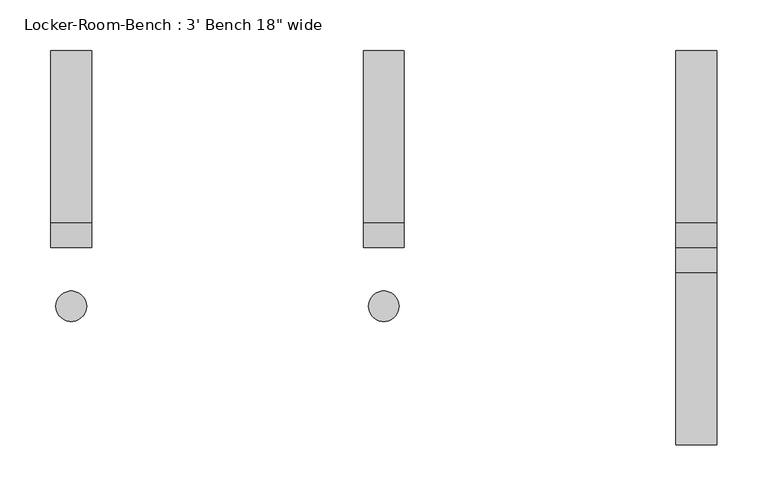
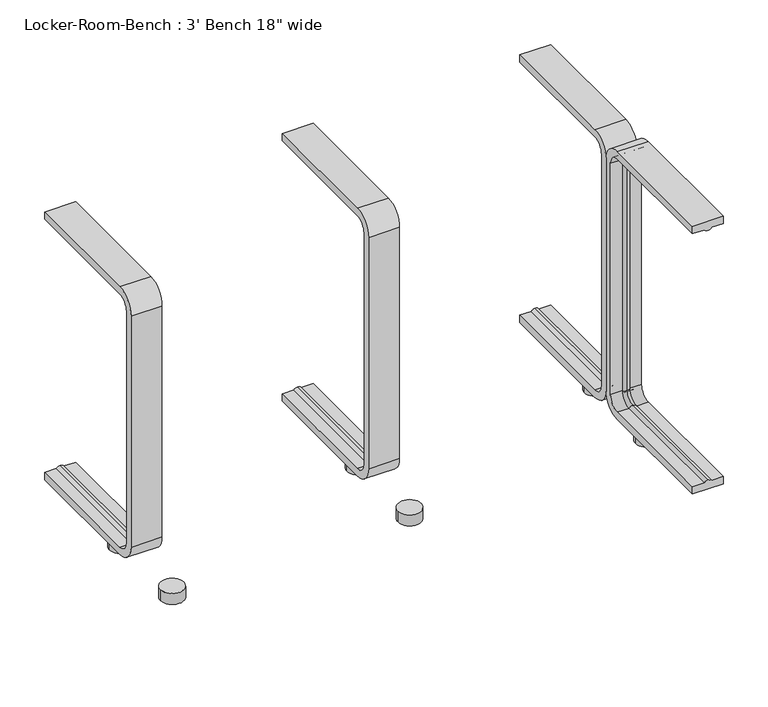
"""IFC4 building model written with IfcOpenShell, lengths in millimetres: proxy geometry."""

from ifc_helpers import new_model, si_unit, point, frame, frame_2d, origin, origin_with_axes, place, context, project, spatial, polyline, circle_curve, ellipse_curve, trimmed, segment, composite_curve, outline, extrude, source, transform, mapped, element, save
from ifc_brep_helpers import plane_surface, cylinder_surface, revolved_surface, advanced_brep


def proxy_2d80c7be(model_context):
    return source(origin(), model_context, "Body", "SolidModel", [
        extrude(outline(composite_curve([segment(trimmed(circle_curve(frame_2d((307.2, -57.5)), 15.0), [point((292.2, -57.5))], [point((322.2, -57.5))], False, "CARTESIAN"), True, "CONTINUOUS"), segment(trimmed(circle_curve(frame_2d((307.2, -57.5)), 15.0), [point((322.2, -57.5))], [point((292.2, -57.5))], False, "CARTESIAN"), True, "CONTINUOUS")], self_intersect=False)), origin_with_axes(), (0.0, 0.0, 1.0), 15.0),
        extrude(outline(composite_curve([segment(trimmed(circle_curve(frame_2d((307.2, 57.5)), 15.0), [point((292.2, 57.5))], [point((322.2, 57.5))], False, "CARTESIAN"), True, "CONTINUOUS"), segment(trimmed(circle_curve(frame_2d((307.2, 57.5)), 15.0), [point((322.2, 57.5))], [point((292.2, 57.5))], False, "CARTESIAN"), True, "CONTINUOUS")], self_intersect=False)), origin_with_axes(), (0.0, 0.0, 1.0), 15.0),
        extrude(outline(composite_curve([segment(trimmed(circle_curve(frame_2d((0.0, -57.5)), 15.0), [point((-15.0, -57.5))], [point((15.0, -57.5))], False, "CARTESIAN"), True, "CONTINUOUS"), segment(trimmed(circle_curve(frame_2d((0.0, -57.5)), 15.0), [point((15.0, -57.5))], [point((-15.0, -57.5))], False, "CARTESIAN"), True, "CONTINUOUS")], self_intersect=False)), origin_with_axes(), (0.0, 0.0, 1.0), 15.0),
        extrude(outline(composite_curve([segment(trimmed(circle_curve(frame_2d((0.0, 57.5)), 15.0), [point((-15.0, 57.5))], [point((15.0, 57.5))], False, "CARTESIAN"), True, "CONTINUOUS"), segment(trimmed(circle_curve(frame_2d((0.0, 57.5)), 15.0), [point((15.0, 57.5))], [point((-15.0, 57.5))], False, "CARTESIAN"), True, "CONTINUOUS")], self_intersect=False)), origin_with_axes(), (0.0, 0.0, 1.0), 15.0),
        extrude(outline(composite_curve([segment(trimmed(circle_curve(frame_2d((-307.2, -57.5)), 15.0), [point((-322.2, -57.5))], [point((-292.2, -57.5))], False, "CARTESIAN"), True, "CONTINUOUS"), segment(trimmed(circle_curve(frame_2d((-307.2, -57.5)), 15.0), [point((-292.2, -57.5))], [point((-322.2, -57.5))], False, "CARTESIAN"), True, "CONTINUOUS")], self_intersect=False)), origin_with_axes(), (0.0, 0.0, 1.0), 15.0),
        extrude(outline(composite_curve([segment(trimmed(circle_curve(frame_2d((-307.2, 57.5)), 15.0), [point((-322.2, 57.5))], [point((-292.2, 57.5))], False, "CARTESIAN"), True, "CONTINUOUS"), segment(trimmed(circle_curve(frame_2d((-307.2, 57.5)), 15.0), [point((-292.2, 57.5))], [point((-322.2, 57.5))], False, "CARTESIAN"), True, "CONTINUOUS")], self_intersect=False)), origin_with_axes(), (0.0, 0.0, 1.0), 15.0),
        advanced_brep(
        [(327.2, 193.6, 381.4), (327.2, 193.6, 371.4), (312.2, 193.6, 371.4), (307.2, 193.6, 369.0684617), (302.2, 193.6, 371.4), (287.2, 193.6, 371.4), (287.2, 193.6, 381.4), (327.2, 25.0, 381.4), (327.2, 0.0, 356.4), (327.2, 0.0, 40.0), (327.2, 25.0, 15.0), (327.2, 193.6, 15.0), (327.2, 193.6, 25.0), (327.2, 25.0, 25.0), (327.2, 10.0, 40.0), (327.2, 10.0, 356.4), (327.2, 25.0, 371.4), (312.2, 25.0, 371.4), (307.2, 25.0, 369.0684617), (302.2, 25.0, 371.4), (287.2, 25.0, 371.4), (287.2, 10.0, 356.4), (287.2, 10.0, 40.0), (287.2, 25.0, 25.0), (287.2, 193.6, 25.0), (287.2, 193.6, 15.0), (287.2, 25.0, 15.0), (287.2, 0.0, 40.0), (287.2, 0.0, 356.4), (287.2, 25.0, 381.4), (312.2, 10.0, 356.4), (307.2, 12.3315383, 356.4), (302.2, 10.0, 356.4), (312.2, 10.0, 40.0), (307.2, 12.3315383, 40.0), (302.2, 10.0, 40.0), (312.2, 25.0, 25.0), (307.2, 25.0, 27.3315383), (302.2, 25.0, 25.0), (302.2, 193.6, 25.0), (307.2, 193.6, 27.3315383), (312.2, 193.6, 25.0)],
        [
            (0, 1),
            (1, 2),
            (2, 3, circle_curve(frame((307.4996409, 193.6, 374.9529162), z_axis=(0.0, 1.0, 0.0), x_axis=(0.0, 0.0, -1.0)), 5.8920785)),
            (3, 4, circle_curve(frame((306.9003591, 193.6, 374.9529162), z_axis=(0.0, 1.0, 0.0), x_axis=(0.0, 0.0, -1.0)), 5.8920785)),
            (4, 5),
            (5, 6),
            (6, 0),
            (0, 7),
            (7, 8, circle_curve(frame((327.2, 25.0, 356.4), z_axis=(1.0, 0.0, 0.0), x_axis=(0.0, 0.0, 1.0)), 25.0)),
            (8, 9),
            (9, 10, circle_curve(frame((327.2, 25.0, 40.0), z_axis=(1.0, 0.0, 0.0), x_axis=(0.0, -1.0, 0.0)), 25.0)),
            (10, 11),
            (11, 12),
            (12, 13),
            (13, 14, circle_curve(frame((327.2, 25.0, 40.0), z_axis=(-1.0, 0.0, 0.0), x_axis=(0.0, -1.0, 0.0)), 15.0)),
            (14, 15),
            (15, 16, circle_curve(frame((327.2, 25.0, 356.4), z_axis=(-1.0, 0.0, 0.0), x_axis=(0.0, 0.0, 1.0)), 15.0)),
            (16, 1),
            (16, 17),
            (17, 2),
            (17, 18, circle_curve(frame((307.4996409, 25.0, 374.9529162), z_axis=(0.0, 1.0, 0.0), x_axis=(0.0, 0.0, -1.0)), 5.8920785)),
            (18, 3),
            (18, 19, circle_curve(frame((306.9003591, 25.0, 374.9529162), z_axis=(0.0, 1.0, 0.0), x_axis=(0.0, 0.0, -1.0)), 5.8920785)),
            (19, 4),
            (19, 20),
            (20, 5),
            (20, 21, circle_curve(frame((287.2, 25.0, 356.4), z_axis=(1.0, 0.0, 0.0), x_axis=(0.0, 0.0, 1.0)), 15.0)),
            (21, 22),
            (22, 23, circle_curve(frame((287.2, 25.0, 40.0), z_axis=(1.0, 0.0, 0.0), x_axis=(0.0, -1.0, 0.0)), 15.0)),
            (23, 24),
            (24, 25),
            (25, 26),
            (26, 27, circle_curve(frame((287.2, 25.0, 40.0), z_axis=(-1.0, 0.0, 0.0), x_axis=(0.0, -1.0, 0.0)), 25.0)),
            (27, 28),
            (28, 29, circle_curve(frame((287.2, 25.0, 356.4), z_axis=(-1.0, 0.0, 0.0), x_axis=(0.0, 0.0, 1.0)), 25.0)),
            (29, 6),
            (29, 7),
            (30, 17, circle_curve(frame((312.2, 25.0, 356.4), z_axis=(-1.0, 0.0, 0.0), x_axis=(0.0, 0.0, 1.0)), 15.0)),
            (15, 30),
            (31, 18, circle_curve(frame((307.2, 25.0, 356.4), z_axis=(-1.0, 0.0, 0.0), x_axis=(0.0, 0.0, 1.0)), 12.6684617)),
            (30, 31, circle_curve(frame((307.4996409, 6.4470838, 356.4), z_axis=(0.0, 0.0, 1.0), x_axis=(0.0, 1.0, 0.0)), 5.8920785)),
            (32, 19, circle_curve(frame((302.2, 25.0, 356.4), z_axis=(-1.0, 0.0, 0.0), x_axis=(0.0, 0.0, 1.0)), 15.0)),
            (31, 32, circle_curve(frame((306.9003591, 6.4470838, 356.4), z_axis=(0.0, 0.0, 1.0), x_axis=(0.0, 1.0, 0.0)), 5.8920785)),
            (32, 21),
            (28, 8),
            (14, 33),
            (33, 30),
            (33, 34, circle_curve(frame((307.4996409, 6.4470838, 40.0), z_axis=(0.0, 0.0, 1.0), x_axis=(0.0, 1.0, 0.0)), 5.8920785)),
            (34, 31),
            (34, 35, circle_curve(frame((306.9003591, 6.4470838, 40.0), z_axis=(0.0, 0.0, 1.0), x_axis=(0.0, 1.0, 0.0)), 5.8920785)),
            (35, 32),
            (35, 22),
            (27, 9),
            (36, 33, circle_curve(frame((312.2, 25.0, 40.0), z_axis=(-1.0, 0.0, 0.0), x_axis=(0.0, -1.0, 0.0)), 15.0)),
            (13, 36),
            (37, 34, circle_curve(frame((307.2, 25.0, 40.0), z_axis=(-1.0, 0.0, 0.0), x_axis=(0.0, -1.0, 0.0)), 12.6684617)),
            (36, 37, circle_curve(frame((307.4996409, 25.0, 21.4470838), z_axis=(0.0, -1.0, 0.0), x_axis=(0.0, 0.0, 1.0)), 5.8920785)),
            (38, 35, circle_curve(frame((302.2, 25.0, 40.0), z_axis=(-1.0, 0.0, 0.0), x_axis=(0.0, -1.0, 0.0)), 15.0)),
            (37, 38, circle_curve(frame((306.9003591, 25.0, 21.4470838), z_axis=(0.0, -1.0, 0.0), x_axis=(0.0, 0.0, 1.0)), 5.8920785)),
            (38, 23),
            (26, 10),
            (11, 25),
            (24, 39),
            (39, 40, circle_curve(frame((306.9003591, 193.6, 21.4470838), z_axis=(0.0, 1.0, 0.0), x_axis=(0.0, 0.0, 1.0)), 5.8920785)),
            (40, 41, circle_curve(frame((307.4996409, 193.6, 21.4470838), z_axis=(0.0, 1.0, 0.0), x_axis=(0.0, 0.0, 1.0)), 5.8920785)),
            (41, 12),
            (41, 36),
            (40, 37),
            (39, 38),
        ],
        [
            plane_surface(frame((307.2, 193.6, 381.4), z_axis=(0.0, 1.0, 0.0), x_axis=(1.0, 0.0, 0.0))),
            plane_surface(frame((327.2, 193.6, 381.4), z_axis=(1.0, 0.0, 0.0), x_axis=(0.0, -1.0, 0.0))),
            plane_surface(frame((327.2, 193.6, 371.4), z_axis=(0.0, 0.0, -1.0), x_axis=(0.0, -1.0, 0.0))),
            cylinder_surface(frame((307.4996409, 193.6, 374.9529162), z_axis=(0.0, 1.0, 0.0), x_axis=(0.0, 0.0, -1.0)), 5.8920785),
            cylinder_surface(frame((306.9003591, 193.6, 374.9529162), z_axis=(0.0, 1.0, 0.0), x_axis=(0.0, 0.0, -1.0)), 5.8920785),
            plane_surface(frame((302.2, 193.6, 371.4), z_axis=(0.0, 0.0, -1.0), x_axis=(0.0, -1.0, 0.0))),
            plane_surface(frame((287.2, 193.6, 371.4), z_axis=(-1.0, 0.0, 0.0), x_axis=(0.0, -1.0, 0.0))),
            plane_surface(frame((287.2, 193.6, 381.4), z_axis=(0.0, 0.0, 1.0), x_axis=(0.0, -1.0, 0.0))),
            revolved_surface(polyline([(327.2, 25.0, 371.4), (312.2, 25.0, 371.4)]), (307.2, 25.0, 356.4), (1.0, 0.0, 0.0)),
            revolved_surface(trimmed(ellipse_curve(frame((307.4996409, 25.0, 374.9529162), z_axis=(0.0, 1.0, 0.0), x_axis=(0.0, 0.0, -1.0)), 5.8920785, 5.8920785), [point((312.2, 25.0, 371.4))], [point((307.2, 25.0, 369.0684617))], True, "CARTESIAN"), (307.2, 25.0, 356.4), (1.0, 0.0, 0.0)),
            revolved_surface(trimmed(ellipse_curve(frame((306.9003591, 25.0, 374.9529162), z_axis=(0.0, 1.0, 0.0), x_axis=(0.0, 0.0, -1.0)), 5.8920785, 5.8920785), [point((307.2, 25.0, 369.0684617))], [point((302.2, 25.0, 371.4))], True, "CARTESIAN"), (307.2, 25.0, 356.4), (1.0, 0.0, 0.0)),
            revolved_surface(polyline([(302.2, 25.0, 371.4), (287.2, 25.0, 371.4)]), (307.2, 25.0, 356.4), (1.0, 0.0, 0.0)),
            cylinder_surface(frame((307.2, 25.0, 356.4), z_axis=(1.0, 0.0, 0.0), x_axis=(0.0, 0.0, 1.0)), 25.0),
            plane_surface(frame((327.2, 10.0, 356.4), z_axis=(0.0, 1.0, 0.0), x_axis=(0.0, 0.0, -1.0))),
            cylinder_surface(frame((307.4996409, 6.4470838, 356.4), z_axis=(0.0, 0.0, 1.0), x_axis=(0.0, 1.0, 0.0)), 5.8920785),
            cylinder_surface(frame((306.9003591, 6.4470838, 356.4), z_axis=(0.0, 0.0, 1.0), x_axis=(0.0, 1.0, 0.0)), 5.8920785),
            plane_surface(frame((302.2, 10.0, 356.4), z_axis=(0.0, 1.0, 0.0), x_axis=(0.0, 0.0, -1.0))),
            plane_surface(frame((287.2, 0.0, 356.4), z_axis=(0.0, -1.0, 0.0), x_axis=(0.0, 0.0, -1.0))),
            revolved_surface(polyline([(327.2, 10.0, 40.0), (312.2, 10.0, 40.0)]), (307.2, 25.0, 40.0), (1.0, 0.0, 0.0)),
            revolved_surface(trimmed(ellipse_curve(frame((307.4996409, 6.4470838, 40.0), z_axis=(0.0, 0.0, 1.0), x_axis=(0.0, 1.0, 0.0)), 5.8920785, 5.8920785), [point((312.2, 10.0, 40.0))], [point((307.2, 12.3315383, 40.0))], True, "CARTESIAN"), (307.2, 25.0, 40.0), (1.0, 0.0, 0.0)),
            revolved_surface(trimmed(ellipse_curve(frame((306.9003591, 6.4470838, 40.0), z_axis=(0.0, 0.0, 1.0), x_axis=(0.0, 1.0, 0.0)), 5.8920785, 5.8920785), [point((307.2, 12.3315383, 40.0))], [point((302.2, 10.0, 40.0))], True, "CARTESIAN"), (307.2, 25.0, 40.0), (1.0, 0.0, 0.0)),
            revolved_surface(polyline([(302.2, 10.0, 40.0), (287.2, 10.0, 40.0)]), (307.2, 25.0, 40.0), (1.0, 0.0, 0.0)),
            cylinder_surface(frame((307.2, 25.0, 40.0), z_axis=(1.0, 0.0, 0.0), x_axis=(0.0, -1.0, 0.0)), 25.0),
            plane_surface(frame((307.2, 193.6, 15.0), z_axis=(0.0, 1.0, 0.0), x_axis=(1.0, 0.0, 0.0))),
            plane_surface(frame((327.2, 25.0, 25.0), z_axis=(0.0, 0.0, 1.0), x_axis=(0.0, 1.0, 0.0))),
            cylinder_surface(frame((307.4996409, 25.0, 21.4470838), z_axis=(0.0, -1.0, 0.0), x_axis=(0.0, 0.0, 1.0)), 5.8920785),
            cylinder_surface(frame((306.9003591, 25.0, 21.4470838), z_axis=(0.0, -1.0, 0.0), x_axis=(0.0, 0.0, 1.0)), 5.8920785),
            plane_surface(frame((302.2, 25.0, 25.0), z_axis=(0.0, 0.0, 1.0), x_axis=(0.0, 1.0, 0.0))),
            plane_surface(frame((287.2, 25.0, 15.0), z_axis=(0.0, 0.0, -1.0), x_axis=(0.0, 1.0, 0.0))),
        ],
        [
            (0, [[1, 2, 3, 4, 5, 6, 7]]),
            (1, [[-1, 8, 9, 10, 11, 12, 13, 14, 15, 16, 17, 18]]),
            (2, [[-2, -18, 19, 20]]),
            (3, [[-3, -20, 21, 22]]),
            (4, [[-4, -22, 23, 24]]),
            (5, [[-5, -24, 25, 26]]),
            (6, [[-6, -26, 27, 28, 29, 30, 31, 32, 33, 34, 35, 36]]),
            (7, [[-7, -36, 37, -8]]),
            (8, [[38, -19, -17, 39]]),
            (9, [[40, -21, -38, 41]]),
            (10, [[42, -23, -40, 43]]),
            (11, [[-27, -25, -42, 44]]),
            (12, [[-9, -37, -35, 45]]),
            (13, [[-39, -16, 46, 47]]),
            (14, [[-41, -47, 48, 49]]),
            (15, [[-43, -49, 50, 51]]),
            (16, [[-44, -51, 52, -28]]),
            (17, [[-45, -34, 53, -10]]),
            (18, [[54, -46, -15, 55]]),
            (19, [[56, -48, -54, 57]]),
            (20, [[58, -50, -56, 59]]),
            (21, [[-29, -52, -58, 60]]),
            (22, [[-11, -53, -33, 61]]),
            (23, [[62, -31, 63, 64, 65, 66, -13]]),
            (24, [[-55, -14, -66, 67]]),
            (25, [[-57, -67, -65, 68]]),
            (26, [[-59, -68, -64, 69]]),
            (27, [[-60, -69, -63, -30]]),
            (28, [[-61, -32, -62, -12]]),
        ],
    ),
        advanced_brep(
        [(20.0, 193.6, 381.4), (20.0, 193.6, 371.4), (5.0, 193.6, 371.4), (0.0, 193.6, 369.0684617), (-5.0, 193.6, 371.4), (-20.0, 193.6, 371.4), (-20.0, 193.6, 381.4), (20.0, 25.0, 381.4), (20.0, 0.0, 356.4), (20.0, 0.0, 40.0), (20.0, 25.0, 15.0), (20.0, 193.6, 15.0), (20.0, 193.6, 25.0), (20.0, 25.0, 25.0), (20.0, 10.0, 40.0), (20.0, 10.0, 356.4), (20.0, 25.0, 371.4), (5.0, 25.0, 371.4), (0.0, 25.0, 369.0684617), (-5.0, 25.0, 371.4), (-20.0, 25.0, 371.4), (-20.0, 10.0, 356.4), (-20.0, 10.0, 40.0), (-20.0, 25.0, 25.0), (-20.0, 193.6, 25.0), (-20.0, 193.6, 15.0), (-20.0, 25.0, 15.0), (-20.0, 0.0, 40.0), (-20.0, 0.0, 356.4), (-20.0, 25.0, 381.4), (5.0, 10.0, 356.4), (0.0, 12.3315383, 356.4), (-5.0, 10.0, 356.4), (5.0, 10.0, 40.0), (0.0, 12.3315383, 40.0), (-5.0, 10.0, 40.0), (5.0, 25.0, 25.0), (0.0, 25.0, 27.3315383), (-5.0, 25.0, 25.0), (-5.0, 193.6, 25.0), (0.0, 193.6, 27.3315383), (5.0, 193.6, 25.0)],
        [
            (0, 1),
            (1, 2),
            (2, 3, circle_curve(frame((0.2996409, 193.6, 374.9529162), z_axis=(0.0, 1.0, 0.0), x_axis=(0.0, 0.0, -1.0)), 5.8920785)),
            (3, 4, circle_curve(frame((-0.2996409, 193.6, 374.9529162), z_axis=(0.0, 1.0, 0.0), x_axis=(0.0, 0.0, -1.0)), 5.8920785)),
            (4, 5),
            (5, 6),
            (6, 0),
            (0, 7),
            (7, 8, circle_curve(frame((20.0, 25.0, 356.4), z_axis=(1.0, 0.0, 0.0), x_axis=(0.0, 0.0, 1.0)), 25.0)),
            (8, 9),
            (9, 10, circle_curve(frame((20.0, 25.0, 40.0), z_axis=(1.0, 0.0, 0.0), x_axis=(0.0, -1.0, 0.0)), 25.0)),
            (10, 11),
            (11, 12),
            (12, 13),
            (13, 14, circle_curve(frame((20.0, 25.0, 40.0), z_axis=(-1.0, 0.0, 0.0), x_axis=(0.0, -1.0, 0.0)), 15.0)),
            (14, 15),
            (15, 16, circle_curve(frame((20.0, 25.0, 356.4), z_axis=(-1.0, 0.0, 0.0), x_axis=(0.0, 0.0, 1.0)), 15.0)),
            (16, 1),
            (16, 17),
            (17, 2),
            (17, 18, circle_curve(frame((0.2996409, 25.0, 374.9529162), z_axis=(0.0, 1.0, 0.0), x_axis=(0.0, 0.0, -1.0)), 5.8920785)),
            (18, 3),
            (18, 19, circle_curve(frame((-0.2996409, 25.0, 374.9529162), z_axis=(0.0, 1.0, 0.0), x_axis=(0.0, 0.0, -1.0)), 5.8920785)),
            (19, 4),
            (19, 20),
            (20, 5),
            (20, 21, circle_curve(frame((-20.0, 25.0, 356.4), z_axis=(1.0, 0.0, 0.0), x_axis=(0.0, 0.0, 1.0)), 15.0)),
            (21, 22),
            (22, 23, circle_curve(frame((-20.0, 25.0, 40.0), z_axis=(1.0, 0.0, 0.0), x_axis=(0.0, -1.0, 0.0)), 15.0)),
            (23, 24),
            (24, 25),
            (25, 26),
            (26, 27, circle_curve(frame((-20.0, 25.0, 40.0), z_axis=(-1.0, 0.0, 0.0), x_axis=(0.0, -1.0, 0.0)), 25.0)),
            (27, 28),
            (28, 29, circle_curve(frame((-20.0, 25.0, 356.4), z_axis=(-1.0, 0.0, 0.0), x_axis=(0.0, 0.0, 1.0)), 25.0)),
            (29, 6),
            (29, 7),
            (30, 17, circle_curve(frame((5.0, 25.0, 356.4), z_axis=(-1.0, 0.0, 0.0), x_axis=(0.0, 0.0, 1.0)), 15.0)),
            (15, 30),
            (31, 18, circle_curve(frame((0.0, 25.0, 356.4), z_axis=(-1.0, 0.0, 0.0), x_axis=(0.0, 0.0, 1.0)), 12.6684617)),
            (30, 31, circle_curve(frame((0.2996409, 6.4470838, 356.4), z_axis=(0.0, 0.0, 1.0), x_axis=(0.0, 1.0, 0.0)), 5.8920785)),
            (32, 19, circle_curve(frame((-5.0, 25.0, 356.4), z_axis=(-1.0, 0.0, 0.0), x_axis=(0.0, 0.0, 1.0)), 15.0)),
            (31, 32, circle_curve(frame((-0.2996409, 6.4470838, 356.4), z_axis=(0.0, 0.0, 1.0), x_axis=(0.0, 1.0, 0.0)), 5.8920785)),
            (32, 21),
            (28, 8),
            (14, 33),
            (33, 30),
            (33, 34, circle_curve(frame((0.2996409, 6.4470838, 40.0), z_axis=(0.0, 0.0, 1.0), x_axis=(0.0, 1.0, 0.0)), 5.8920785)),
            (34, 31),
            (34, 35, circle_curve(frame((-0.2996409, 6.4470838, 40.0), z_axis=(0.0, 0.0, 1.0), x_axis=(0.0, 1.0, 0.0)), 5.8920785)),
            (35, 32),
            (35, 22),
            (27, 9),
            (36, 33, circle_curve(frame((5.0, 25.0, 40.0), z_axis=(-1.0, 0.0, 0.0), x_axis=(0.0, -1.0, 0.0)), 15.0)),
            (13, 36),
            (37, 34, circle_curve(frame((0.0, 25.0, 40.0), z_axis=(-1.0, 0.0, 0.0), x_axis=(0.0, -1.0, 0.0)), 12.6684617)),
            (36, 37, circle_curve(frame((0.2996409, 25.0, 21.4470838), z_axis=(0.0, -1.0, 0.0), x_axis=(0.0, 0.0, 1.0)), 5.8920785)),
            (38, 35, circle_curve(frame((-5.0, 25.0, 40.0), z_axis=(-1.0, 0.0, 0.0), x_axis=(0.0, -1.0, 0.0)), 15.0)),
            (37, 38, circle_curve(frame((-0.2996409, 25.0, 21.4470838), z_axis=(0.0, -1.0, 0.0), x_axis=(0.0, 0.0, 1.0)), 5.8920785)),
            (38, 23),
            (26, 10),
            (11, 25),
            (24, 39),
            (39, 40, circle_curve(frame((-0.2996409, 193.6, 21.4470838), z_axis=(0.0, 1.0, 0.0), x_axis=(0.0, 0.0, 1.0)), 5.8920785)),
            (40, 41, circle_curve(frame((0.2996409, 193.6, 21.4470838), z_axis=(0.0, 1.0, 0.0), x_axis=(0.0, 0.0, 1.0)), 5.8920785)),
            (41, 12),
            (41, 36),
            (40, 37),
            (39, 38),
        ],
        [
            plane_surface(frame((0.0, 193.6, 381.4), z_axis=(0.0, 1.0, 0.0), x_axis=(1.0, 0.0, 0.0))),
            plane_surface(frame((20.0, 193.6, 381.4), z_axis=(1.0, 0.0, 0.0), x_axis=(0.0, -1.0, 0.0))),
            plane_surface(frame((20.0, 193.6, 371.4), z_axis=(0.0, 0.0, -1.0), x_axis=(0.0, -1.0, 0.0))),
            cylinder_surface(frame((0.2996409, 193.6, 374.9529162), z_axis=(0.0, 1.0, 0.0), x_axis=(0.0, 0.0, -1.0)), 5.8920785),
            cylinder_surface(frame((-0.2996409, 193.6, 374.9529162), z_axis=(0.0, 1.0, 0.0), x_axis=(0.0, 0.0, -1.0)), 5.8920785),
            plane_surface(frame((-5.0, 193.6, 371.4), z_axis=(0.0, 0.0, -1.0), x_axis=(0.0, -1.0, 0.0))),
            plane_surface(frame((-20.0, 193.6, 371.4), z_axis=(-1.0, 0.0, 0.0), x_axis=(0.0, -1.0, 0.0))),
            plane_surface(frame((-20.0, 193.6, 381.4), z_axis=(0.0, 0.0, 1.0), x_axis=(0.0, -1.0, 0.0))),
            revolved_surface(polyline([(20.0, 25.0, 371.4), (5.0, 25.0, 371.4)]), (0.0, 25.0, 356.4), (1.0, 0.0, 0.0)),
            revolved_surface(trimmed(ellipse_curve(frame((0.2996409, 25.0, 374.9529162), z_axis=(0.0, 1.0, 0.0), x_axis=(0.0, 0.0, -1.0)), 5.8920785, 5.8920785), [point((5.0, 25.0, 371.4))], [point((0.0, 25.0, 369.0684617))], True, "CARTESIAN"), (0.0, 25.0, 356.4), (1.0, 0.0, 0.0)),
            revolved_surface(trimmed(ellipse_curve(frame((-0.2996409, 25.0, 374.9529162), z_axis=(0.0, 1.0, 0.0), x_axis=(0.0, 0.0, -1.0)), 5.8920785, 5.8920785), [point((0.0, 25.0, 369.0684617))], [point((-5.0, 25.0, 371.4))], True, "CARTESIAN"), (0.0, 25.0, 356.4), (1.0, 0.0, 0.0)),
            revolved_surface(polyline([(-5.0, 25.0, 371.4), (-20.0, 25.0, 371.4)]), (0.0, 25.0, 356.4), (1.0, 0.0, 0.0)),
            cylinder_surface(frame((0.0, 25.0, 356.4), z_axis=(1.0, 0.0, 0.0), x_axis=(0.0, 0.0, 1.0)), 25.0),
            plane_surface(frame((20.0, 10.0, 356.4), z_axis=(0.0, 1.0, 0.0), x_axis=(0.0, 0.0, -1.0))),
            cylinder_surface(frame((0.2996409, 6.4470838, 356.4), z_axis=(0.0, 0.0, 1.0), x_axis=(0.0, 1.0, 0.0)), 5.8920785),
            cylinder_surface(frame((-0.2996409, 6.4470838, 356.4), z_axis=(0.0, 0.0, 1.0), x_axis=(0.0, 1.0, 0.0)), 5.8920785),
            plane_surface(frame((-5.0, 10.0, 356.4), z_axis=(0.0, 1.0, 0.0), x_axis=(0.0, 0.0, -1.0))),
            plane_surface(frame((-20.0, 0.0, 356.4), z_axis=(0.0, -1.0, 0.0), x_axis=(0.0, 0.0, -1.0))),
            revolved_surface(polyline([(20.0, 10.0, 40.0), (5.0, 10.0, 40.0)]), (0.0, 25.0, 40.0), (1.0, 0.0, 0.0)),
            revolved_surface(trimmed(ellipse_curve(frame((0.2996409, 6.4470838, 40.0), z_axis=(0.0, 0.0, 1.0), x_axis=(0.0, 1.0, 0.0)), 5.8920785, 5.8920785), [point((5.0, 10.0, 40.0))], [point((0.0, 12.3315383, 40.0))], True, "CARTESIAN"), (0.0, 25.0, 40.0), (1.0, 0.0, 0.0)),
            revolved_surface(trimmed(ellipse_curve(frame((-0.2996409, 6.4470838, 40.0), z_axis=(0.0, 0.0, 1.0), x_axis=(0.0, 1.0, 0.0)), 5.8920785, 5.8920785), [point((0.0, 12.3315383, 40.0))], [point((-5.0, 10.0, 40.0))], True, "CARTESIAN"), (0.0, 25.0, 40.0), (1.0, 0.0, 0.0)),
            revolved_surface(polyline([(-5.0, 10.0, 40.0), (-20.0, 10.0, 40.0)]), (0.0, 25.0, 40.0), (1.0, 0.0, 0.0)),
            cylinder_surface(frame((0.0, 25.0, 40.0), z_axis=(1.0, 0.0, 0.0), x_axis=(0.0, -1.0, 0.0)), 25.0),
            plane_surface(frame((0.0, 193.6, 15.0), z_axis=(0.0, 1.0, 0.0), x_axis=(1.0, 0.0, 0.0))),
            plane_surface(frame((20.0, 25.0, 25.0), z_axis=(0.0, 0.0, 1.0), x_axis=(0.0, 1.0, 0.0))),
            cylinder_surface(frame((0.2996409, 25.0, 21.4470838), z_axis=(0.0, -1.0, 0.0), x_axis=(0.0, 0.0, 1.0)), 5.8920785),
            cylinder_surface(frame((-0.2996409, 25.0, 21.4470838), z_axis=(0.0, -1.0, 0.0), x_axis=(0.0, 0.0, 1.0)), 5.8920785),
            plane_surface(frame((-5.0, 25.0, 25.0), z_axis=(0.0, 0.0, 1.0), x_axis=(0.0, 1.0, 0.0))),
            plane_surface(frame((-20.0, 25.0, 15.0), z_axis=(0.0, 0.0, -1.0), x_axis=(0.0, 1.0, 0.0))),
        ],
        [
            (0, [[1, 2, 3, 4, 5, 6, 7]]),
            (1, [[-1, 8, 9, 10, 11, 12, 13, 14, 15, 16, 17, 18]]),
            (2, [[-2, -18, 19, 20]]),
            (3, [[-3, -20, 21, 22]]),
            (4, [[-4, -22, 23, 24]]),
            (5, [[-5, -24, 25, 26]]),
            (6, [[-6, -26, 27, 28, 29, 30, 31, 32, 33, 34, 35, 36]]),
            (7, [[-7, -36, 37, -8]]),
            (8, [[38, -19, -17, 39]]),
            (9, [[40, -21, -38, 41]]),
            (10, [[42, -23, -40, 43]]),
            (11, [[-27, -25, -42, 44]]),
            (12, [[-9, -37, -35, 45]]),
            (13, [[-39, -16, 46, 47]]),
            (14, [[-41, -47, 48, 49]]),
            (15, [[-43, -49, 50, 51]]),
            (16, [[-44, -51, 52, -28]]),
            (17, [[-45, -34, 53, -10]]),
            (18, [[54, -46, -15, 55]]),
            (19, [[56, -48, -54, 57]]),
            (20, [[58, -50, -56, 59]]),
            (21, [[-29, -52, -58, 60]]),
            (22, [[-11, -53, -33, 61]]),
            (23, [[62, -31, 63, 64, 65, 66, -13]]),
            (24, [[-55, -14, -66, 67]]),
            (25, [[-57, -67, -65, 68]]),
            (26, [[-59, -68, -64, 69]]),
            (27, [[-60, -69, -63, -30]]),
            (28, [[-61, -32, -62, -12]]),
        ],
    ),
        advanced_brep(
        [(-287.2, 193.6, 381.4), (-287.2, 193.6, 371.4), (-302.2, 193.6, 371.4), (-307.2, 193.6, 369.0684617), (-312.2, 193.6, 371.4), (-327.2, 193.6, 371.4), (-327.2, 193.6, 381.4), (-287.2, 25.0, 381.4), (-287.2, 0.0, 356.4), (-287.2, 0.0, 40.0), (-287.2, 25.0, 15.0), (-287.2, 193.6, 15.0), (-287.2, 193.6, 25.0), (-287.2, 25.0, 25.0), (-287.2, 10.0, 40.0), (-287.2, 10.0, 356.4), (-287.2, 25.0, 371.4), (-302.2, 25.0, 371.4), (-307.2, 25.0, 369.0684617), (-312.2, 25.0, 371.4), (-327.2, 25.0, 371.4), (-327.2, 10.0, 356.4), (-327.2, 10.0, 40.0), (-327.2, 25.0, 25.0), (-327.2, 193.6, 25.0), (-327.2, 193.6, 15.0), (-327.2, 25.0, 15.0), (-327.2, 0.0, 40.0), (-327.2, 0.0, 356.4), (-327.2, 25.0, 381.4), (-302.2, 10.0, 356.4), (-307.2, 12.3315383, 356.4), (-312.2, 10.0, 356.4), (-302.2, 10.0, 40.0), (-307.2, 12.3315383, 40.0), (-312.2, 10.0, 40.0), (-302.2, 25.0, 25.0), (-307.2, 25.0, 27.3315383), (-312.2, 25.0, 25.0), (-312.2, 193.6, 25.0), (-307.2, 193.6, 27.3315383), (-302.2, 193.6, 25.0)],
        [
            (0, 1),
            (1, 2),
            (2, 3, circle_curve(frame((-306.9003591, 193.6, 374.9529162), z_axis=(0.0, 1.0, 0.0), x_axis=(0.0, 0.0, -1.0)), 5.8920785)),
            (3, 4, circle_curve(frame((-307.4996409, 193.6, 374.9529162), z_axis=(0.0, 1.0, 0.0), x_axis=(0.0, 0.0, -1.0)), 5.8920785)),
            (4, 5),
            (5, 6),
            (6, 0),
            (0, 7),
            (7, 8, circle_curve(frame((-287.2, 25.0, 356.4), z_axis=(1.0, 0.0, 0.0), x_axis=(0.0, 0.0, 1.0)), 25.0)),
            (8, 9),
            (9, 10, circle_curve(frame((-287.2, 25.0, 40.0), z_axis=(1.0, 0.0, 0.0), x_axis=(0.0, -1.0, 0.0)), 25.0)),
            (10, 11),
            (11, 12),
            (12, 13),
            (13, 14, circle_curve(frame((-287.2, 25.0, 40.0), z_axis=(-1.0, 0.0, 0.0), x_axis=(0.0, -1.0, 0.0)), 15.0)),
            (14, 15),
            (15, 16, circle_curve(frame((-287.2, 25.0, 356.4), z_axis=(-1.0, 0.0, 0.0), x_axis=(0.0, 0.0, 1.0)), 15.0)),
            (16, 1),
            (16, 17),
            (17, 2),
            (17, 18, circle_curve(frame((-306.9003591, 25.0, 374.9529162), z_axis=(0.0, 1.0, 0.0), x_axis=(0.0, 0.0, -1.0)), 5.8920785)),
            (18, 3),
            (18, 19, circle_curve(frame((-307.4996409, 25.0, 374.9529162), z_axis=(0.0, 1.0, 0.0), x_axis=(0.0, 0.0, -1.0)), 5.8920785)),
            (19, 4),
            (19, 20),
            (20, 5),
            (20, 21, circle_curve(frame((-327.2, 25.0, 356.4), z_axis=(1.0, 0.0, 0.0), x_axis=(0.0, 0.0, 1.0)), 15.0)),
            (21, 22),
            (22, 23, circle_curve(frame((-327.2, 25.0, 40.0), z_axis=(1.0, 0.0, 0.0), x_axis=(0.0, -1.0, 0.0)), 15.0)),
            (23, 24),
            (24, 25),
            (25, 26),
            (26, 27, circle_curve(frame((-327.2, 25.0, 40.0), z_axis=(-1.0, 0.0, 0.0), x_axis=(0.0, -1.0, 0.0)), 25.0)),
            (27, 28),
            (28, 29, circle_curve(frame((-327.2, 25.0, 356.4), z_axis=(-1.0, 0.0, 0.0), x_axis=(0.0, 0.0, 1.0)), 25.0)),
            (29, 6),
            (29, 7),
            (30, 17, circle_curve(frame((-302.2, 25.0, 356.4), z_axis=(-1.0, 0.0, 0.0), x_axis=(0.0, 0.0, 1.0)), 15.0)),
            (15, 30),
            (31, 18, circle_curve(frame((-307.2, 25.0, 356.4), z_axis=(-1.0, 0.0, 0.0), x_axis=(0.0, 0.0, 1.0)), 12.6684617)),
            (30, 31, circle_curve(frame((-306.9003591, 6.4470838, 356.4), z_axis=(0.0, 0.0, 1.0), x_axis=(0.0, 1.0, 0.0)), 5.8920785)),
            (32, 19, circle_curve(frame((-312.2, 25.0, 356.4), z_axis=(-1.0, 0.0, 0.0), x_axis=(0.0, 0.0, 1.0)), 15.0)),
            (31, 32, circle_curve(frame((-307.4996409, 6.4470838, 356.4), z_axis=(0.0, 0.0, 1.0), x_axis=(0.0, 1.0, 0.0)), 5.8920785)),
            (32, 21),
            (28, 8),
            (14, 33),
            (33, 30),
            (33, 34, circle_curve(frame((-306.9003591, 6.4470838, 40.0), z_axis=(0.0, 0.0, 1.0), x_axis=(0.0, 1.0, 0.0)), 5.8920785)),
            (34, 31),
            (34, 35, circle_curve(frame((-307.4996409, 6.4470838, 40.0), z_axis=(0.0, 0.0, 1.0), x_axis=(0.0, 1.0, 0.0)), 5.8920785)),
            (35, 32),
            (35, 22),
            (27, 9),
            (36, 33, circle_curve(frame((-302.2, 25.0, 40.0), z_axis=(-1.0, 0.0, 0.0), x_axis=(0.0, -1.0, 0.0)), 15.0)),
            (13, 36),
            (37, 34, circle_curve(frame((-307.2, 25.0, 40.0), z_axis=(-1.0, 0.0, 0.0), x_axis=(0.0, -1.0, 0.0)), 12.6684617)),
            (36, 37, circle_curve(frame((-306.9003591, 25.0, 21.4470838), z_axis=(0.0, -1.0, 0.0), x_axis=(0.0, 0.0, 1.0)), 5.8920785)),
            (38, 35, circle_curve(frame((-312.2, 25.0, 40.0), z_axis=(-1.0, 0.0, 0.0), x_axis=(0.0, -1.0, 0.0)), 15.0)),
            (37, 38, circle_curve(frame((-307.4996409, 25.0, 21.4470838), z_axis=(0.0, -1.0, 0.0), x_axis=(0.0, 0.0, 1.0)), 5.8920785)),
            (38, 23),
            (26, 10),
            (11, 25),
            (24, 39),
            (39, 40, circle_curve(frame((-307.4996409, 193.6, 21.4470838), z_axis=(0.0, 1.0, 0.0), x_axis=(0.0, 0.0, 1.0)), 5.8920785)),
            (40, 41, circle_curve(frame((-306.9003591, 193.6, 21.4470838), z_axis=(0.0, 1.0, 0.0), x_axis=(0.0, 0.0, 1.0)), 5.8920785)),
            (41, 12),
            (41, 36),
            (40, 37),
            (39, 38),
        ],
        [
            plane_surface(frame((-307.2, 193.6, 381.4), z_axis=(0.0, 1.0, 0.0), x_axis=(1.0, 0.0, 0.0))),
            plane_surface(frame((-287.2, 193.6, 381.4), z_axis=(1.0, 0.0, 0.0), x_axis=(0.0, -1.0, 0.0))),
            plane_surface(frame((-287.2, 193.6, 371.4), z_axis=(0.0, 0.0, -1.0), x_axis=(0.0, -1.0, 0.0))),
            cylinder_surface(frame((-306.9003591, 193.6, 374.9529162), z_axis=(0.0, 1.0, 0.0), x_axis=(0.0, 0.0, -1.0)), 5.8920785),
            cylinder_surface(frame((-307.4996409, 193.6, 374.9529162), z_axis=(0.0, 1.0, 0.0), x_axis=(0.0, 0.0, -1.0)), 5.8920785),
            plane_surface(frame((-312.2, 193.6, 371.4), z_axis=(0.0, 0.0, -1.0), x_axis=(0.0, -1.0, 0.0))),
            plane_surface(frame((-327.2, 193.6, 371.4), z_axis=(-1.0, 0.0, 0.0), x_axis=(0.0, -1.0, 0.0))),
            plane_surface(frame((-327.2, 193.6, 381.4), z_axis=(0.0, 0.0, 1.0), x_axis=(0.0, -1.0, 0.0))),
            revolved_surface(polyline([(-287.2, 25.0, 371.4), (-302.2, 25.0, 371.4)]), (-307.2, 25.0, 356.4), (1.0, 0.0, 0.0)),
            revolved_surface(trimmed(ellipse_curve(frame((-306.9003591, 25.0, 374.9529162), z_axis=(0.0, 1.0, 0.0), x_axis=(0.0, 0.0, -1.0)), 5.8920785, 5.8920785), [point((-302.2, 25.0, 371.4))], [point((-307.2, 25.0, 369.0684617))], True, "CARTESIAN"), (-307.2, 25.0, 356.4), (1.0, 0.0, 0.0)),
            revolved_surface(trimmed(ellipse_curve(frame((-307.4996409, 25.0, 374.9529162), z_axis=(0.0, 1.0, 0.0), x_axis=(0.0, 0.0, -1.0)), 5.8920785, 5.8920785), [point((-307.2, 25.0, 369.0684617))], [point((-312.2, 25.0, 371.4))], True, "CARTESIAN"), (-307.2, 25.0, 356.4), (1.0, 0.0, 0.0)),
            revolved_surface(polyline([(-312.2, 25.0, 371.4), (-327.2, 25.0, 371.4)]), (-307.2, 25.0, 356.4), (1.0, 0.0, 0.0)),
            cylinder_surface(frame((-307.2, 25.0, 356.4), z_axis=(1.0, 0.0, 0.0), x_axis=(0.0, 0.0, 1.0)), 25.0),
            plane_surface(frame((-287.2, 10.0, 356.4), z_axis=(0.0, 1.0, 0.0), x_axis=(0.0, 0.0, -1.0))),
            cylinder_surface(frame((-306.9003591, 6.4470838, 356.4), z_axis=(0.0, 0.0, 1.0), x_axis=(0.0, 1.0, 0.0)), 5.8920785),
            cylinder_surface(frame((-307.4996409, 6.4470838, 356.4), z_axis=(0.0, 0.0, 1.0), x_axis=(0.0, 1.0, 0.0)), 5.8920785),
            plane_surface(frame((-312.2, 10.0, 356.4), z_axis=(0.0, 1.0, 0.0), x_axis=(0.0, 0.0, -1.0))),
            plane_surface(frame((-327.2, 0.0, 356.4), z_axis=(0.0, -1.0, 0.0), x_axis=(0.0, 0.0, -1.0))),
            revolved_surface(polyline([(-287.2, 10.0, 40.0), (-302.2, 10.0, 40.0)]), (-307.2, 25.0, 40.0), (1.0, 0.0, 0.0)),
            revolved_surface(trimmed(ellipse_curve(frame((-306.9003591, 6.4470838, 40.0), z_axis=(0.0, 0.0, 1.0), x_axis=(0.0, 1.0, 0.0)), 5.8920785, 5.8920785), [point((-302.2, 10.0, 40.0))], [point((-307.2, 12.3315383, 40.0))], True, "CARTESIAN"), (-307.2, 25.0, 40.0), (1.0, 0.0, 0.0)),
            revolved_surface(trimmed(ellipse_curve(frame((-307.4996409, 6.4470838, 40.0), z_axis=(0.0, 0.0, 1.0), x_axis=(0.0, 1.0, 0.0)), 5.8920785, 5.8920785), [point((-307.2, 12.3315383, 40.0))], [point((-312.2, 10.0, 40.0))], True, "CARTESIAN"), (-307.2, 25.0, 40.0), (1.0, 0.0, 0.0)),
            revolved_surface(polyline([(-312.2, 10.0, 40.0), (-327.2, 10.0, 40.0)]), (-307.2, 25.0, 40.0), (1.0, 0.0, 0.0)),
            cylinder_surface(frame((-307.2, 25.0, 40.0), z_axis=(1.0, 0.0, 0.0), x_axis=(0.0, -1.0, 0.0)), 25.0),
            plane_surface(frame((-307.2, 193.6, 15.0), z_axis=(0.0, 1.0, 0.0), x_axis=(1.0, 0.0, 0.0))),
            plane_surface(frame((-287.2, 25.0, 25.0), z_axis=(0.0, 0.0, 1.0), x_axis=(0.0, 1.0, 0.0))),
            cylinder_surface(frame((-306.9003591, 25.0, 21.4470838), z_axis=(0.0, -1.0, 0.0), x_axis=(0.0, 0.0, 1.0)), 5.8920785),
            cylinder_surface(frame((-307.4996409, 25.0, 21.4470838), z_axis=(0.0, -1.0, 0.0), x_axis=(0.0, 0.0, 1.0)), 5.8920785),
            plane_surface(frame((-312.2, 25.0, 25.0), z_axis=(0.0, 0.0, 1.0), x_axis=(0.0, 1.0, 0.0))),
            plane_surface(frame((-327.2, 25.0, 15.0), z_axis=(0.0, 0.0, -1.0), x_axis=(0.0, 1.0, 0.0))),
        ],
        [
            (0, [[1, 2, 3, 4, 5, 6, 7]]),
            (1, [[-1, 8, 9, 10, 11, 12, 13, 14, 15, 16, 17, 18]]),
            (2, [[-2, -18, 19, 20]]),
            (3, [[-3, -20, 21, 22]]),
            (4, [[-4, -22, 23, 24]]),
            (5, [[-5, -24, 25, 26]]),
            (6, [[-6, -26, 27, 28, 29, 30, 31, 32, 33, 34, 35, 36]]),
            (7, [[-7, -36, 37, -8]]),
            (8, [[38, -19, -17, 39]]),
            (9, [[40, -21, -38, 41]]),
            (10, [[42, -23, -40, 43]]),
            (11, [[-27, -25, -42, 44]]),
            (12, [[-9, -37, -35, 45]]),
            (13, [[-39, -16, 46, 47]]),
            (14, [[-41, -47, 48, 49]]),
            (15, [[-43, -49, 50, 51]]),
            (16, [[-44, -51, 52, -28]]),
            (17, [[-45, -34, 53, -10]]),
            (18, [[54, -46, -15, 55]]),
            (19, [[56, -48, -54, 57]]),
            (20, [[58, -50, -56, 59]]),
            (21, [[-29, -52, -58, 60]]),
            (22, [[-11, -53, -33, 61]]),
            (23, [[62, -31, 63, 64, 65, 66, -13]]),
            (24, [[-55, -14, -66, 67]]),
            (25, [[-57, -67, -65, 68]]),
            (26, [[-59, -68, -64, 69]]),
            (27, [[-60, -69, -63, -30]]),
            (28, [[-61, -32, -62, -12]]),
        ],
    ),
        advanced_brep(
        [(327.2, -193.6, 381.4), (287.2, -193.6, 381.4), (287.2, -193.6, 371.4), (302.2, -193.6, 371.4), (307.2, -193.6, 369.0684617), (312.2, -193.6, 371.4), (327.2, -193.6, 371.4), (327.2, -25.0, 381.4), (287.2, -25.0, 381.4), (287.2, 0.0, 356.4), (287.2, 0.0, 40.0), (287.2, -25.0, 15.0), (287.2, -193.6, 15.0), (287.2, -193.6, 25.0), (287.2, -25.0, 25.0), (287.2, -10.0, 40.0), (287.2, -10.0, 356.4), (287.2, -25.0, 371.4), (302.2, -25.0, 371.4), (307.2, -25.0, 369.0684617), (312.2, -25.0, 371.4), (327.2, -25.0, 371.4), (327.2, -10.0, 356.4), (327.2, -10.0, 40.0), (327.2, -25.0, 25.0), (327.2, -193.6, 25.0), (327.2, -193.6, 15.0), (327.2, -25.0, 15.0), (327.2, 0.0, 40.0), (327.2, 0.0, 356.4), (302.2, -10.0, 356.4), (307.2, -12.3315383, 356.4), (312.2, -10.0, 356.4), (302.2, -10.0, 40.0), (307.2, -12.3315383, 40.0), (312.2, -10.0, 40.0), (302.2, -25.0, 25.0), (307.2, -25.0, 27.3315383), (312.2, -25.0, 25.0), (312.2, -193.6, 25.0), (307.2, -193.6, 27.3315383), (302.2, -193.6, 25.0)],
        [
            (0, 1),
            (1, 2),
            (2, 3),
            (3, 4, circle_curve(frame((306.9003591, -193.6, 374.9529162), z_axis=(0.0, -1.0, 0.0), x_axis=(0.0, 0.0, 1.0)), 5.8920785)),
            (4, 5, circle_curve(frame((307.4996409, -193.6, 374.9529162), z_axis=(0.0, -1.0, 0.0), x_axis=(0.0, 0.0, 1.0)), 5.8920785)),
            (5, 6),
            (6, 0),
            (0, 7),
            (7, 8),
            (8, 1),
            (8, 9, circle_curve(frame((287.2, -25.0, 356.4), z_axis=(-1.0, 0.0, 0.0), x_axis=(0.0, 0.0, 1.0)), 25.0)),
            (9, 10),
            (10, 11, circle_curve(frame((287.2, -25.0, 40.0), z_axis=(-1.0, 0.0, 0.0), x_axis=(0.0, 1.0, 0.0)), 25.0)),
            (11, 12),
            (12, 13),
            (13, 14),
            (14, 15, circle_curve(frame((287.2, -25.0, 40.0), z_axis=(1.0, 0.0, 0.0), x_axis=(0.0, 1.0, 0.0)), 15.0)),
            (15, 16),
            (16, 17, circle_curve(frame((287.2, -25.0, 356.4), z_axis=(1.0, 0.0, 0.0), x_axis=(0.0, 0.0, 1.0)), 15.0)),
            (17, 2),
            (17, 18),
            (18, 3),
            (18, 19, circle_curve(frame((306.9003591, -25.0, 374.9529162), z_axis=(0.0, -1.0, 0.0), x_axis=(0.0, 0.0, 1.0)), 5.8920785)),
            (19, 4),
            (19, 20, circle_curve(frame((307.4996409, -25.0, 374.9529162), z_axis=(0.0, -1.0, 0.0), x_axis=(0.0, 0.0, 1.0)), 5.8920785)),
            (20, 5),
            (20, 21),
            (21, 6),
            (21, 22, circle_curve(frame((327.2, -25.0, 356.4), z_axis=(-1.0, 0.0, 0.0), x_axis=(0.0, 0.0, 1.0)), 15.0)),
            (22, 23),
            (23, 24, circle_curve(frame((327.2, -25.0, 40.0), z_axis=(-1.0, 0.0, 0.0), x_axis=(0.0, 1.0, 0.0)), 15.0)),
            (24, 25),
            (25, 26),
            (26, 27),
            (27, 28, circle_curve(frame((327.2, -25.0, 40.0), z_axis=(1.0, 0.0, 0.0), x_axis=(0.0, 1.0, 0.0)), 25.0)),
            (28, 29),
            (29, 7, circle_curve(frame((327.2, -25.0, 356.4), z_axis=(1.0, 0.0, 0.0), x_axis=(0.0, 0.0, 1.0)), 25.0)),
            (29, 9),
            (30, 18, circle_curve(frame((302.2, -25.0, 356.4), z_axis=(1.0, 0.0, 0.0), x_axis=(0.0, 0.0, 1.0)), 15.0)),
            (16, 30),
            (31, 19, circle_curve(frame((307.2, -25.0, 356.4), z_axis=(1.0, 0.0, 0.0), x_axis=(0.0, 0.0, 1.0)), 12.6684617)),
            (30, 31, circle_curve(frame((306.9003591, -6.4470838, 356.4), z_axis=(0.0, 0.0, 1.0), x_axis=(0.0, 1.0, 0.0)), 5.8920785)),
            (32, 20, circle_curve(frame((312.2, -25.0, 356.4), z_axis=(1.0, 0.0, 0.0), x_axis=(0.0, 0.0, 1.0)), 15.0)),
            (31, 32, circle_curve(frame((307.4996409, -6.4470838, 356.4), z_axis=(0.0, 0.0, 1.0), x_axis=(0.0, 1.0, 0.0)), 5.8920785)),
            (32, 22),
            (28, 10),
            (15, 33),
            (33, 30),
            (33, 34, circle_curve(frame((306.9003591, -6.4470838, 40.0), z_axis=(0.0, 0.0, 1.0), x_axis=(0.0, 1.0, 0.0)), 5.8920785)),
            (34, 31),
            (34, 35, circle_curve(frame((307.4996409, -6.4470838, 40.0), z_axis=(0.0, 0.0, 1.0), x_axis=(0.0, 1.0, 0.0)), 5.8920785)),
            (35, 32),
            (35, 23),
            (27, 11),
            (36, 33, circle_curve(frame((302.2, -25.0, 40.0), z_axis=(1.0, 0.0, 0.0), x_axis=(0.0, 1.0, 0.0)), 15.0)),
            (14, 36),
            (37, 34, circle_curve(frame((307.2, -25.0, 40.0), z_axis=(1.0, 0.0, 0.0), x_axis=(0.0, 1.0, 0.0)), 12.6684617)),
            (36, 37, circle_curve(frame((306.9003591, -25.0, 21.4470838), z_axis=(0.0, 1.0, 0.0), x_axis=(0.0, 0.0, -1.0)), 5.8920785)),
            (38, 35, circle_curve(frame((312.2, -25.0, 40.0), z_axis=(1.0, 0.0, 0.0), x_axis=(0.0, 1.0, 0.0)), 15.0)),
            (37, 38, circle_curve(frame((307.4996409, -25.0, 21.4470838), z_axis=(0.0, 1.0, 0.0), x_axis=(0.0, 0.0, -1.0)), 5.8920785)),
            (38, 24),
            (25, 39),
            (39, 40, circle_curve(frame((307.4996409, -193.6, 21.4470838), z_axis=(0.0, -1.0, 0.0), x_axis=(0.0, 0.0, -1.0)), 5.8920785)),
            (40, 41, circle_curve(frame((306.9003591, -193.6, 21.4470838), z_axis=(0.0, -1.0, 0.0), x_axis=(0.0, 0.0, -1.0)), 5.8920785)),
            (41, 13),
            (12, 26),
            (41, 36),
            (40, 37),
            (39, 38),
        ],
        [
            plane_surface(frame((307.2, -193.6, 381.4), z_axis=(0.0, -1.0, 0.0), x_axis=(1.0, 0.0, 0.0))),
            plane_surface(frame((327.2, -193.6, 381.4), z_axis=(0.0, 0.0, 1.0), x_axis=(0.0, 1.0, 0.0))),
            plane_surface(frame((287.2, -193.6, 381.4), z_axis=(-1.0, 0.0, 0.0), x_axis=(0.0, 1.0, 0.0))),
            plane_surface(frame((287.2, -193.6, 371.4), z_axis=(0.0, 0.0, -1.0), x_axis=(0.0, 1.0, 0.0))),
            cylinder_surface(frame((306.9003591, -193.6, 374.9529162), z_axis=(0.0, -1.0, 0.0), x_axis=(0.0, 0.0, 1.0)), 5.8920785),
            cylinder_surface(frame((307.4996409, -193.6, 374.9529162), z_axis=(0.0, -1.0, 0.0), x_axis=(0.0, 0.0, 1.0)), 5.8920785),
            plane_surface(frame((312.2, -193.6, 371.4), z_axis=(0.0, 0.0, -1.0), x_axis=(0.0, 1.0, 0.0))),
            plane_surface(frame((327.2, -193.6, 371.4), z_axis=(1.0, 0.0, 0.0), x_axis=(0.0, 1.0, 0.0))),
            cylinder_surface(frame((307.2, -25.0, 356.4), z_axis=(-1.0, 0.0, 0.0), x_axis=(0.0, 0.0, 1.0)), 25.0),
            revolved_surface(polyline([(287.2, -25.0, 371.4), (302.2, -25.0, 371.4)]), (307.2, -25.0, 356.4), (-1.0, 0.0, 0.0)),
            revolved_surface(trimmed(ellipse_curve(frame((306.9003591, -25.0, 374.9529162), z_axis=(0.0, -1.0, 0.0), x_axis=(0.0, 0.0, 1.0)), 5.8920785, 5.8920785), [point((302.2, -25.0, 371.4))], [point((307.2, -25.0, 369.0684617))], True, "CARTESIAN"), (307.2, -25.0, 356.4), (-1.0, 0.0, 0.0)),
            revolved_surface(trimmed(ellipse_curve(frame((307.4996409, -25.0, 374.9529162), z_axis=(0.0, -1.0, 0.0), x_axis=(0.0, 0.0, 1.0)), 5.8920785, 5.8920785), [point((307.2, -25.0, 369.0684617))], [point((312.2, -25.0, 371.4))], True, "CARTESIAN"), (307.2, -25.0, 356.4), (-1.0, 0.0, 0.0)),
            revolved_surface(polyline([(312.2, -25.0, 371.4), (327.2, -25.0, 371.4)]), (307.2, -25.0, 356.4), (-1.0, 0.0, 0.0)),
            plane_surface(frame((327.2, 0.0, 356.4), z_axis=(0.0, 1.0, 0.0), x_axis=(0.0, 0.0, -1.0))),
            plane_surface(frame((287.2, -10.0, 356.4), z_axis=(0.0, -1.0, 0.0), x_axis=(0.0, 0.0, -1.0))),
            cylinder_surface(frame((306.9003591, -6.4470838, 356.4), z_axis=(0.0, 0.0, 1.0), x_axis=(0.0, 1.0, 0.0)), 5.8920785),
            cylinder_surface(frame((307.4996409, -6.4470838, 356.4), z_axis=(0.0, 0.0, 1.0), x_axis=(0.0, 1.0, 0.0)), 5.8920785),
            plane_surface(frame((312.2, -10.0, 356.4), z_axis=(0.0, -1.0, 0.0), x_axis=(0.0, 0.0, -1.0))),
            cylinder_surface(frame((307.2, -25.0, 40.0), z_axis=(-1.0, 0.0, 0.0), x_axis=(0.0, 1.0, 0.0)), 25.0),
            revolved_surface(polyline([(287.2, -10.0, 40.0), (302.2, -10.0, 40.0)]), (307.2, -25.0, 40.0), (-1.0, 0.0, 0.0)),
            revolved_surface(trimmed(ellipse_curve(frame((306.9003591, -6.4470838, 40.0), z_axis=(0.0, 0.0, 1.0), x_axis=(0.0, 1.0, 0.0)), 5.8920785, 5.8920785), [point((302.2, -10.0, 40.0))], [point((307.2, -12.3315383, 40.0))], True, "CARTESIAN"), (307.2, -25.0, 40.0), (-1.0, 0.0, 0.0)),
            revolved_surface(trimmed(ellipse_curve(frame((307.4996409, -6.4470838, 40.0), z_axis=(0.0, 0.0, 1.0), x_axis=(0.0, 1.0, 0.0)), 5.8920785, 5.8920785), [point((307.2, -12.3315383, 40.0))], [point((312.2, -10.0, 40.0))], True, "CARTESIAN"), (307.2, -25.0, 40.0), (-1.0, 0.0, 0.0)),
            revolved_surface(polyline([(312.2, -10.0, 40.0), (327.2, -10.0, 40.0)]), (307.2, -25.0, 40.0), (-1.0, 0.0, 0.0)),
            plane_surface(frame((307.2, -193.6, 15.0), z_axis=(0.0, -1.0, 0.0), x_axis=(1.0, 0.0, 0.0))),
            plane_surface(frame((327.2, -25.0, 15.0), z_axis=(0.0, 0.0, -1.0), x_axis=(0.0, -1.0, 0.0))),
            plane_surface(frame((287.2, -25.0, 25.0), z_axis=(0.0, 0.0, 1.0), x_axis=(0.0, -1.0, 0.0))),
            cylinder_surface(frame((306.9003591, -25.0, 21.4470838), z_axis=(0.0, 1.0, 0.0), x_axis=(0.0, 0.0, -1.0)), 5.8920785),
            cylinder_surface(frame((307.4996409, -25.0, 21.4470838), z_axis=(0.0, 1.0, 0.0), x_axis=(0.0, 0.0, -1.0)), 5.8920785),
            plane_surface(frame((312.2, -25.0, 25.0), z_axis=(0.0, 0.0, 1.0), x_axis=(0.0, -1.0, 0.0))),
        ],
        [
            (0, [[1, 2, 3, 4, 5, 6, 7]]),
            (1, [[-1, 8, 9, 10]]),
            (2, [[-2, -10, 11, 12, 13, 14, 15, 16, 17, 18, 19, 20]]),
            (3, [[-3, -20, 21, 22]]),
            (4, [[-4, -22, 23, 24]]),
            (5, [[-5, -24, 25, 26]]),
            (6, [[-6, -26, 27, 28]]),
            (7, [[-7, -28, 29, 30, 31, 32, 33, 34, 35, 36, 37, -8]]),
            (8, [[-11, -9, -37, 38]]),
            (9, [[39, -21, -19, 40]]),
            (10, [[41, -23, -39, 42]]),
            (11, [[43, -25, -41, 44]]),
            (12, [[-29, -27, -43, 45]]),
            (13, [[-38, -36, 46, -12]]),
            (14, [[-40, -18, 47, 48]]),
            (15, [[-42, -48, 49, 50]]),
            (16, [[-44, -50, 51, 52]]),
            (17, [[-45, -52, 53, -30]]),
            (18, [[-13, -46, -35, 54]]),
            (19, [[55, -47, -17, 56]]),
            (20, [[57, -49, -55, 58]]),
            (21, [[59, -51, -57, 60]]),
            (22, [[-31, -53, -59, 61]]),
            (23, [[-33, 62, 63, 64, 65, -15, 66]]),
            (24, [[-54, -34, -66, -14]]),
            (25, [[-56, -16, -65, 67]]),
            (26, [[-58, -67, -64, 68]]),
            (27, [[-60, -68, -63, 69]]),
            (28, [[-61, -69, -62, -32]]),
        ],
    ),
    ])


if __name__ == "__main__":
    model = new_model("IFC4")
    model_context = context("Model", 3, world=origin())
    ifc_project = project(units=[si_unit("LENGTHUNIT", "METRE", prefix="MILLI")], contexts=[model_context])
    site = spatial("IfcSite", under=ifc_project)
    building = spatial("IfcBuilding", under=site)
    placement = place(None, origin())
    proxy_shape = proxy_2d80c7be(model_context)
    element("IfcBuildingElementProxy", 1, Name="Locker-Room-Bench : 3' Bench 18\" wide", ObjectType="Locker-Room-Bench : 3' Bench 18\" wide", at=placement, inside=building, context=model_context, shape_type="MappedRepresentation", body=[
        mapped(proxy_shape, transform((0.0, 0.0, 0.0), x_axis=(1.0, 0.0, 0.0), y_axis=(0.0, 1.0, 0.0), z_axis=(0.0, 0.0, 1.0))),
    ])
    save(model, "model.ifc")
